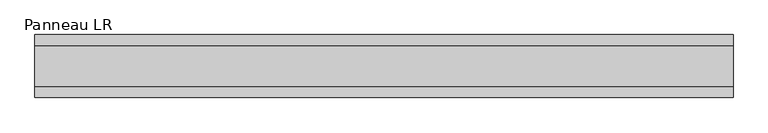
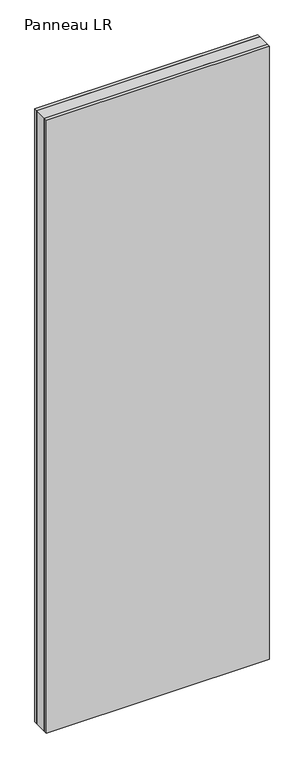
"""IFC4 building model written with IfcOpenShell, lengths in millimetres: plate geometry, Panneau LR."""

from ifc_helpers import new_model, si_unit, origin, origin_with_axes, place, context, project, spatial, polyline, outline, extrude, source, transform, mapped, element, save


def panneau_lr_b9ee9c37(model_context):
    return source(origin(), model_context, "Body", "SweptSolid", [
        extrude(outline(polyline([(499.7748678, 29.0), (499.7748678, -29.0), (-499.7748678, -29.0), (-499.7748678, 29.0), (499.7748678, 29.0)])), origin_with_axes(), (0.0, 0.0, 1.0), 2910.0),
        extrude(outline(polyline([(499.7748678, 45.0), (499.7748678, 29.0), (-499.7748678, 29.0), (-499.7748678, 45.0), (499.7748678, 45.0)])), origin_with_axes(), (0.0, 0.0, 1.0), 2910.0),
        extrude(outline(polyline([(-499.7748678, -45.0), (-499.7748678, -29.0), (499.7748678, -29.0), (499.7748678, -45.0), (-499.7748678, -45.0)])), origin_with_axes(), (0.0, 0.0, 1.0), 2910.0),
    ])


if __name__ == "__main__":
    model = new_model("IFC4")
    model_context = context("Model", 3, world=origin())
    ifc_project = project(units=[si_unit("LENGTHUNIT", "METRE", prefix="MILLI")], contexts=[model_context])
    site = spatial("IfcSite", under=ifc_project)
    building = spatial("IfcBuilding", under=site)
    placement = place(None, origin())
    panneau_lr_shape = panneau_lr_b9ee9c37(model_context)
    element("IfcPlate", 1, ObjectType="Panneau LR", at=placement, inside=building, context=model_context, shape_type="MappedRepresentation", body=[
        mapped(panneau_lr_shape, transform((0.0, 0.0, 0.0), x_axis=(1.0, 0.0, 0.0), y_axis=(0.0, 1.0, 0.0), z_axis=(0.0, 0.0, 1.0))),
    ])
    save(model, "model.ifc")
